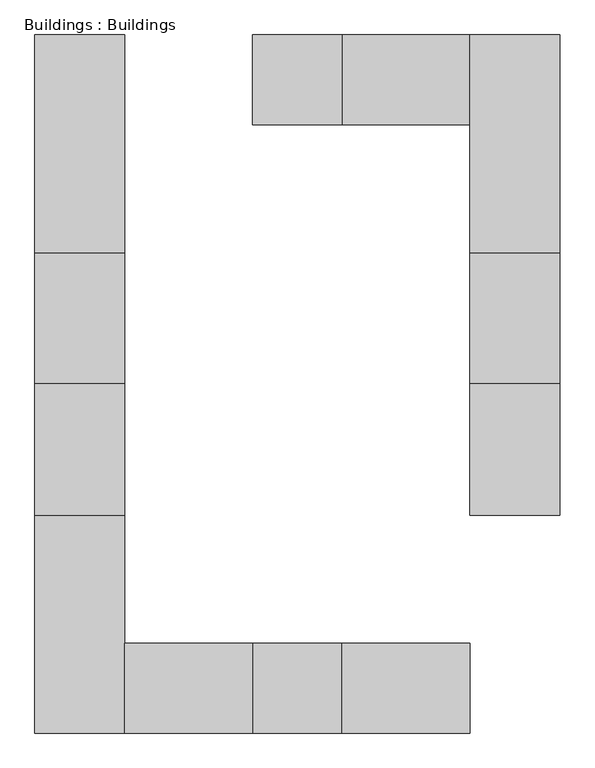
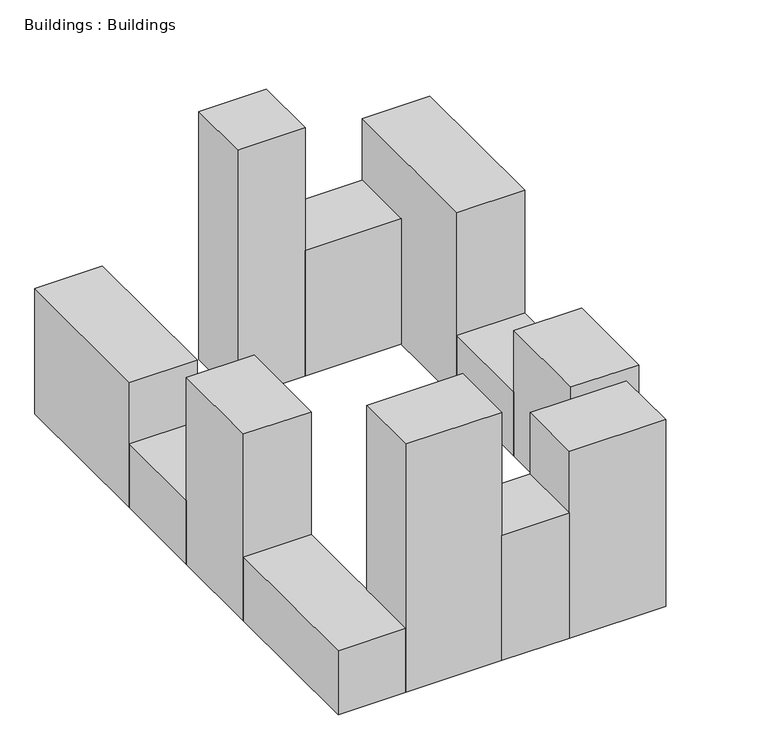
"""IFC4 building model written with IfcOpenShell, lengths in millimetres: proxy geometry, Buildings : Buildings."""

from ifc_helpers import new_model, si_unit, frame, origin, place, context, project, spatial, polyline, outline, extrude, source, transform, mapped, element, save


def buildings_buildings_7d1635d8(model_context):
    return source(origin(), model_context, "Body", "SweptSolid", [
        extrude(outline(polyline([(46651.914146, -51406.9788798), (20651.914146, -51406.9788798), (20651.914146, -25406.9788798), (46651.914146, -25406.9788798), (46651.914146, -51406.9788798)])), frame((0.0, 0.0, -1000.0), z_axis=(0.0, 0.0, 1.0), x_axis=(1.0, 0.0, 0.0)), (0.0, 0.0, 1.0), 51000.0),
        extrude(outline(polyline([(46651.914146, 124593.0211202), (20651.914146, 124593.0211202), (20651.914146, 150593.0211202), (46651.914146, 150593.0211202), (46651.914146, 124593.0211202)])), frame((0.0, 0.0, -1000.0), z_axis=(0.0, 0.0, 1.0), x_axis=(1.0, 0.0, 0.0)), (0.0, 0.0, 1.0), 101000.0),
        extrude(outline(polyline([(83651.914146, 49593.0211202), (83651.914146, 87593.0211202), (109651.914146, 87593.0211202), (109651.914146, 49593.0211202), (83651.914146, 49593.0211202)])), frame((0.0, 0.0, -1000.0), z_axis=(0.0, 0.0, 1.0), x_axis=(1.0, 0.0, 0.0)), (0.0, 0.0, 1.0), 26000.0),
        extrude(outline(polyline([(83651.914146, 11593.0211202), (83651.914146, 49593.0211202), (109651.914146, 49593.0211202), (109651.914146, 11593.0211202), (83651.914146, 11593.0211202)])), frame((0.0, 0.0, -1000.0), z_axis=(0.0, 0.0, 1.0), x_axis=(1.0, 0.0, 0.0)), (0.0, 0.0, 1.0), 51000.0),
        extrude(outline(polyline([(-42348.085854, 49593.0211202), (-42348.085854, 87593.0211202), (-16348.085854, 87593.0211202), (-16348.085854, 49593.0211202), (-42348.085854, 49593.0211202)])), frame((0.0, 0.0, -1000.0), z_axis=(0.0, 0.0, 1.0), x_axis=(1.0, 0.0, 0.0)), (0.0, 0.0, 1.0), 26000.0),
        extrude(outline(polyline([(-42348.085854, 11593.0211202), (-42348.085854, 49593.0211202), (-16348.085854, 49593.0211202), (-16348.085854, 11593.0211202), (-42348.085854, 11593.0211202)])), frame((0.0, 0.0, -1000.0), z_axis=(0.0, 0.0, 1.0), x_axis=(1.0, 0.0, 0.0)), (0.0, 0.0, 1.0), 76000.0),
        extrude(outline(polyline([(-42348.085854, -51406.9788798), (-42348.085854, 11593.0211202), (-16348.085854, 11593.0211202), (-16348.085854, -51406.9788798), (-42348.085854, -51406.9788798)])), frame((0.0, 0.0, -1000.0), z_axis=(0.0, 0.0, 1.0), x_axis=(1.0, 0.0, 0.0)), (0.0, 0.0, 1.0), 26000.0),
        extrude(outline(polyline([(83651.914146, 87593.0211202), (83651.914146, 150593.0211202), (109651.914146, 150593.0211202), (109651.914146, 87593.0211202), (83651.914146, 87593.0211202)])), frame((0.0, 0.0, -1000.0), z_axis=(0.0, 0.0, 1.0), x_axis=(1.0, 0.0, 0.0)), (0.0, 0.0, 1.0), 76000.0),
        extrude(outline(polyline([(-42348.085854, 87593.0211202), (-42348.085854, 150593.0211202), (-16348.085854, 150593.0211202), (-16348.085854, 87593.0211202), (-42348.085854, 87593.0211202)])), frame((0.0, 0.0, -1000.0), z_axis=(0.0, 0.0, 1.0), x_axis=(1.0, 0.0, 0.0)), (0.0, 0.0, 1.0), 51000.0),
        extrude(outline(polyline([(20651.914146, -51406.9788798), (-16348.085854, -51406.9788798), (-16348.085854, -25406.9788798), (20651.914146, -25406.9788798), (20651.914146, -51406.9788798)])), frame((0.0, 0.0, -1000.0), z_axis=(0.0, 0.0, 1.0), x_axis=(1.0, 0.0, 0.0)), (0.0, 0.0, 1.0), 101000.0),
        extrude(outline(polyline([(83651.914146, 124593.0211202), (46651.914146, 124593.0211202), (46651.914146, 150593.0211202), (83651.914146, 150593.0211202), (83651.914146, 124593.0211202)])), frame((0.0, 0.0, -1000.0), z_axis=(0.0, 0.0, 1.0), x_axis=(1.0, 0.0, 0.0)), (0.0, 0.0, 1.0), 51000.0),
        extrude(outline(polyline([(83651.914146, -51406.9788798), (46651.914146, -51406.9788798), (46651.914146, -25406.9788798), (83651.914146, -25406.9788798), (83651.914146, -51406.9788798)])), frame((0.0, 0.0, -1000.0), z_axis=(0.0, 0.0, 1.0), x_axis=(1.0, 0.0, 0.0)), (0.0, 0.0, 1.0), 76000.0),
    ])


if __name__ == "__main__":
    model = new_model("IFC4")
    model_context = context("Model", 3, world=origin())
    ifc_project = project(units=[si_unit("LENGTHUNIT", "METRE", prefix="MILLI")], contexts=[model_context])
    site = spatial("IfcSite", under=ifc_project)
    building = spatial("IfcBuilding", under=site)
    placement = place(None, origin())
    buildings_buildings_shape = buildings_buildings_7d1635d8(model_context)
    element("IfcBuildingElementProxy", 1, Name="Buildings : Buildings", ObjectType="Buildings : Buildings", at=placement, inside=building, context=model_context, shape_type="MappedRepresentation", body=[
        mapped(buildings_buildings_shape, transform((0.0, 0.0, 0.0), x_axis=(1.0, 0.0, 0.0), y_axis=(0.0, 1.0, 0.0), z_axis=(0.0, 0.0, 1.0))),
    ])
    save(model, "model.ifc")
